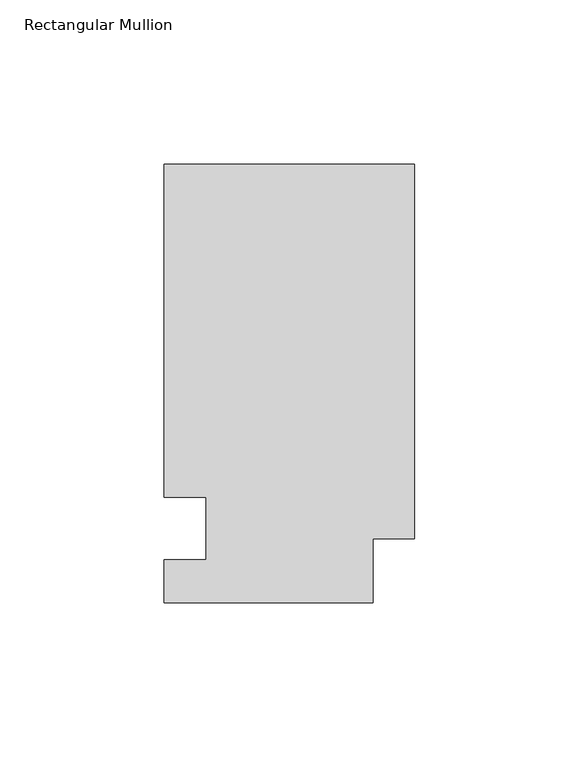
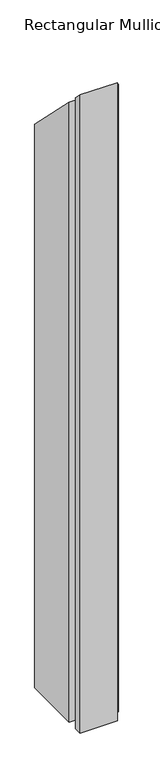
"""IFC4 building model written with IfcOpenShell, lengths in millimetres: member geometry, Rectangular Mullion."""

import ifcopenshell
import ifcopenshell.guid

model = None  # the IFC model being written
_history = None  # IfcOwnerHistory: only IFC2X3 demands one
_inside = {}  # id of a spatial element -> (the spatial element, [elements in it])
_under = {}  # id of a project, library or spatial element -> (it, [spatial elements below it])
_declared = {}  # id of a project -> (the project, [libraries it declares])
_typed = {}  # id of a type object -> (the type object, [elements of that type])
_made_of = {}  # id of a material, layer set ... -> (it, [elements and type objects made of it])


def new_model(schema):
    """Start an empty IFC model of exactly this schema.

    Asked for "IFC4X3", IfcOpenShell would pick the latest addendum, in which some entities
    have other attributes; the version numbers below select the first issue.
    IFC2X3 requires an IfcOwnerHistory on every rooted entity: one is made here for all.
    """
    global model, _history
    if schema == "IFC4X3":
        model = ifcopenshell.file(schema_version=(4, 3, 0, 0))
    else:
        model = ifcopenshell.file(schema=schema)
    _inside.clear()
    _under.clear()
    _declared.clear()
    _typed.clear()
    _made_of.clear()
    _history = None
    if model.schema == "IFC2X3":
        org = make("IfcOrganization", Name="unknown")
        user = make(
            "IfcPersonAndOrganization",
            ThePerson=make("IfcPerson", FamilyName="unknown"),
            TheOrganization=org,
        )
        app = make(
            "IfcApplication",
            ApplicationDeveloper=org,
            Version="unknown",
            ApplicationFullName="unknown",
            ApplicationIdentifier="unknown",
        )
        _history = make(
            "IfcOwnerHistory",
            OwningUser=user,
            OwningApplication=app,
            ChangeAction="ADDED",
            CreationDate=0,
        )
    return model


def make(cls, **values):
    """One entity of the class cls with the attributes given. An attribute that is None is left unset."""
    return model.create_entity(
        cls, **{name: value for name, value in values.items() if value is not None}
    )


def rooted(cls, **values):
    """An entity with a GlobalId (a new one), such as an element, a storey or a relation."""
    return make(cls, GlobalId=ifcopenshell.guid.new(), OwnerHistory=_history, **values)


def si_unit(unit_type, name, prefix=None):
    """IfcSIUnit, for example si_unit("LENGTHUNIT", "METRE", prefix="MILLI")."""
    return make("IfcSIUnit", UnitType=unit_type, Prefix=prefix, Name=name)


def assignment(units):
    """IfcUnitAssignment: the units of a project."""
    return None if units is None else make("IfcUnitAssignment", Units=units)


def point(xyz):
    """IfcCartesianPoint."""
    return None if xyz is None else make("IfcCartesianPoint", Coordinates=xyz)


def direction(xyz):
    """IfcDirection."""
    return None if xyz is None else make("IfcDirection", DirectionRatios=xyz)


def frame(location, z_axis=None, x_axis=None):
    """IfcAxis2Placement3D, a coordinate frame: its origin and axes. An axis left out is left unset."""
    return make(
        "IfcAxis2Placement3D",
        Location=point(location),
        Axis=direction(z_axis),
        RefDirection=direction(x_axis),
    )


def origin():
    """The frame at (0, 0, 0) with its axes left unset."""
    return frame((0.0, 0.0, 0.0))


def place(relative_to, where):
    """IfcLocalPlacement: puts the frame where relative to a parent placement (None: the world)."""
    return make(
        "IfcLocalPlacement", PlacementRelTo=relative_to, RelativePlacement=where
    )


def context(
    kind, dimensions, precision=None, world=None, true_north=None, identifier=None
):
    """IfcGeometricRepresentationContext, for example the 3D "Model" context."""
    return make(
        "IfcGeometricRepresentationContext",
        ContextIdentifier=identifier,
        ContextType=kind,
        CoordinateSpaceDimension=dimensions,
        Precision=precision,
        WorldCoordinateSystem=world,
        TrueNorth=true_north,
    )


def project(units=None, contexts=None):
    """IfcProject with its units and contexts."""
    return rooted(
        "IfcProject",
        Name="project",
        RepresentationContexts=contexts,
        UnitsInContext=assignment(units),
    )


def spatial(cls, under=None, at=None, **own):
    """A site, building, storey or space (cls), placed at a placement, below another one or the project."""
    s = rooted(cls, ObjectPlacement=at, **own)
    if under is not None:
        _under.setdefault(under.id(), (under, []))[1].append(s)
    return s


def faces_of(points, faces, orient=None, outer=None):
    """IfcFace entities. A face is a list of loops; a loop is a list of indices into points, from 0.

    orient and outer hold one flag for each loop. By default every Orientation is true, the
    first loop of a face is its IfcFaceOuterBound and the others are IfcFaceBound.
    """
    made = []
    for i, loops in enumerate(faces):
        bounds = []
        for j, loop in enumerate(loops):
            is_outer = j == 0 if outer is None else outer[i][j]
            bounds.append(
                make(
                    "IfcFaceOuterBound" if is_outer else "IfcFaceBound",
                    Bound=make("IfcPolyLoop", Polygon=[points[k] for k in loop]),
                    Orientation=True if orient is None else orient[i][j],
                )
            )
        made.append(make("IfcFace", Bounds=bounds))
    return made


def faceted_brep(points, faces, orient=None, outer=None, voids=None):
    """IfcFacetedBrep: a solid bounded by flat faces; with voids (closed shells), ...WithVoids."""
    shared = [point(p) for p in points]
    hull = make("IfcClosedShell", CfsFaces=faces_of(shared, faces, orient, outer))
    if voids is None:
        return make("IfcFacetedBrep", Outer=hull)
    return make(
        "IfcFacetedBrepWithVoids",
        Outer=hull,
        Voids=[
            make(cls, CfsFaces=faces_of(shared, fs, o, b)) for cls, fs, o, b in voids
        ],
    )


def shape(context_of_items, identifier, shape_type, items):
    """IfcShapeRepresentation: the items that make up one representation, for example the "Body"."""
    return make(
        "IfcShapeRepresentation",
        ContextOfItems=context_of_items,
        RepresentationIdentifier=identifier,
        RepresentationType=shape_type,
        Items=items,
    )


def source(mapping_origin, context_of_items, identifier, shape_type, items):
    """IfcRepresentationMap: a shape defined once, which mapped items show again and again."""
    return make(
        "IfcRepresentationMap",
        MappingOrigin=mapping_origin,
        MappedRepresentation=shape(context_of_items, identifier, shape_type, items),
    )


def transform(
    local_origin,
    x_axis=None,
    y_axis=None,
    z_axis=None,
    scale=None,
    scale2=None,
    scale3=None,
    uniform=True,
):
    """IfcCartesianTransformationOperator3D, or its non-uniform kind. x_axis, y_axis, z_axis: its Axis1, 2, 3."""
    if uniform:
        return make(
            "IfcCartesianTransformationOperator3D",
            Axis1=direction(x_axis),
            Axis2=direction(y_axis),
            LocalOrigin=point(local_origin),
            Scale=scale,
            Axis3=direction(z_axis),
        )
    return make(
        "IfcCartesianTransformationOperator3DnonUniform",
        Axis1=direction(x_axis),
        Axis2=direction(y_axis),
        LocalOrigin=point(local_origin),
        Scale=scale,
        Axis3=direction(z_axis),
        Scale2=scale2,
        Scale3=scale3,
    )


def mapped(mapping_source, mapping_target):
    """IfcMappedItem: shows the shape of a source again, moved by a transform."""
    return make(
        "IfcMappedItem", MappingSource=mapping_source, MappingTarget=mapping_target
    )


def made_of(thing, what):
    """Note that an element or type object is made of a material, layer set ...; save() writes the relation."""
    if what is not None:
        _made_of.setdefault(what.id(), (what, []))[1].append(thing)
    return thing


def element(
    cls,
    number,
    at=None,
    inside=None,
    cuts=None,
    type_object=None,
    material=None,
    context=None,
    identifier="Body",
    shape_type=None,
    held_by="IfcProductDefinitionShape",
    body=None,
    shapes=None,
    **own,
):
    """One element of the class cls, such as IfcWall. Its Tag is "e" and its number.

    at: its placement. inside: the storey or other place that contains it. cuts: it is an
    opening in that element (IfcRelVoidsElement). A single representation is given by context,
    identifier, shape_type and body (its items); several are given by shapes. held_by: the class
    of the entity that holds the representations. save() writes the other relations.
    """
    e = rooted(cls, Tag="e%d" % number, ObjectPlacement=at, **own)
    if body is not None:
        shapes = [shape(context, identifier, shape_type, body)]
    if shapes is not None:
        e.Representation = make(held_by, Representations=shapes)
    if inside is not None:
        _inside.setdefault(inside.id(), (inside, []))[1].append(e)
    if cuts is not None:
        rooted(
            "IfcRelVoidsElement", RelatingBuildingElement=cuts, RelatedOpeningElement=e
        )
    if type_object is not None:
        _typed.setdefault(type_object.id(), (type_object, []))[1].append(e)
    return made_of(e, material)


def aggregate(whole, parts):
    """IfcRelAggregates: a whole, such as a stair, and the parts it consists of."""
    return rooted("IfcRelAggregates", RelatingObject=whole, RelatedObjects=parts)


def save(model, path):
    """Write the relations noted so far, then the file.

    IfcRelAggregates (storeys below a building ...), IfcRelContainedInSpatialStructure (elements
    in a storey), IfcRelDefinesByType, IfcRelAssociatesMaterial and IfcRelDeclares: one each for
    every whole, place, type object, material and project.
    """
    for whole, parts in _under.values():
        aggregate(whole, parts)
    for where, things in _inside.values():
        rooted(
            "IfcRelContainedInSpatialStructure",
            RelatedElements=things,
            RelatingStructure=where,
        )
    for kind, things in _typed.values():
        rooted("IfcRelDefinesByType", RelatedObjects=things, RelatingType=kind)
    for what, things in _made_of.values():
        rooted("IfcRelAssociatesMaterial", RelatedObjects=things, RelatingMaterial=what)
    for by, libraries in _declared.values():
        rooted("IfcRelDeclares", RelatingContext=by, RelatedDefinitions=libraries)
    model.write(path)


def rectangular_mullion_4e42b435(model_context):
    return source(origin(), model_context, "Body", "Brep", [
        faceted_brep([(0.0, 133.4396938, -1143.0134938), (0.0, 19.5460937, -1143.0134938), (-12.7, 19.5460937, -1143.0134938), (-12.7, 0.0134937, -1143.0134938), (-76.2, 0.0134937, -1143.0134938), (-76.2, 13.1960937, -1143.0134938), (-63.5, 13.1960937, -1143.0134938), (-63.5, 32.2460938, -1143.0134938), (-76.2, 32.2460937, -1143.0134938), (-76.2, 133.4396938, -1143.0134938), (-76.2, 133.4396938, -133.4396938), (0.0, 133.4396938, -133.4396938), (-76.2, 32.2460937, -32.2460937), (-63.5, 32.2460937, -32.2460937), (-63.5, 13.1960937, -13.1960937), (-76.2, 13.1960937, -13.1960937), (-76.2, 0.0134937, -0.0134937), (-12.7, 0.0134937, -0.0134937), (-12.7, 19.5460937, -19.5460937), (0.0, 19.5460937, -19.5460937)], [[[0, 1, 2, 3, 4, 5, 6, 7, 8, 9]], [[10, 11, 0, 9]], [[12, 10, 9, 8]], [[13, 12, 8, 7]], [[14, 13, 7, 6]], [[15, 14, 6, 5]], [[16, 15, 5, 4]], [[17, 16, 4, 3]], [[18, 17, 3, 2]], [[19, 18, 2, 1]], [[11, 19, 1, 0]], [[11, 10, 12, 13, 14, 15, 16, 17, 18, 19]]]),
    ])


if __name__ == "__main__":
    model = new_model("IFC4")
    model_context = context("Model", 3, world=origin())
    ifc_project = project(units=[si_unit("LENGTHUNIT", "METRE", prefix="MILLI")], contexts=[model_context])
    site = spatial("IfcSite", under=ifc_project)
    building = spatial("IfcBuilding", under=site)
    placement = place(None, origin())
    rectangular_mullion_shape = rectangular_mullion_4e42b435(model_context)
    element("IfcMember", 1, ObjectType="Rectangular Mullion", at=placement, inside=building, context=model_context, shape_type="MappedRepresentation", body=[
        mapped(rectangular_mullion_shape, transform((0.0, 0.0, 0.0), x_axis=(1.0, 0.0, 0.0), y_axis=(0.0, 1.0, 0.0), z_axis=(0.0, 0.0, 1.0))),
    ])
    save(model, "model.ifc")
